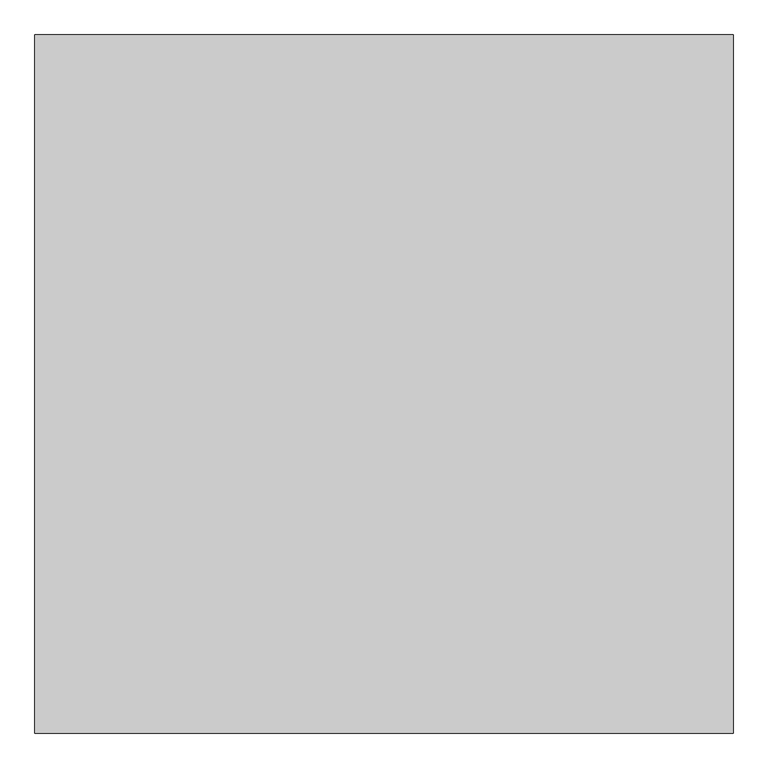
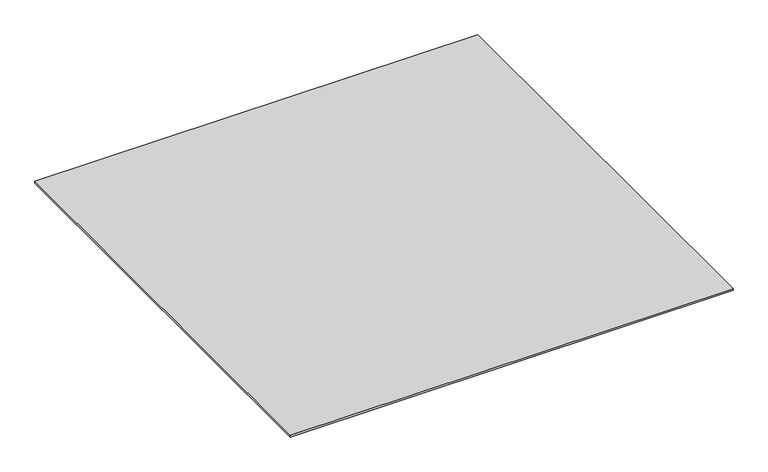
"""IFC4 building model written with IfcOpenShell, lengths in millimetres: proxy geometry."""

from ifc_helpers import new_model, si_unit, origin, origin_with_axes, place, context, project, spatial, polyline, outline, extrude, source, transform, mapped, element, save


def generic_models_22cfa657(model_context):
    return source(origin(), model_context, "Body", "SweptSolid", [
        extrude(outline(polyline([(-16155.396328, -30778.0478908), (-16155.396328, -31778.0478908), (-17155.396328, -31778.0478908), (-17155.396328, -30778.0478908), (-16155.396328, -30778.0478908)])), origin_with_axes(), (0.0, 0.0, 1.0), 4.0),
    ])


if __name__ == "__main__":
    model = new_model("IFC4")
    model_context = context("Model", 3, world=origin())
    ifc_project = project(units=[si_unit("LENGTHUNIT", "METRE", prefix="MILLI")], contexts=[model_context])
    site = spatial("IfcSite", under=ifc_project)
    building = spatial("IfcBuilding", under=site)
    placement = place(None, origin())
    generic_models_shape = generic_models_22cfa657(model_context)
    element("IfcBuildingElementProxy", 1, Name="Generic Models", at=placement, inside=building, context=model_context, shape_type="MappedRepresentation", body=[
        mapped(generic_models_shape, transform((0.0, 0.0, 0.0), x_axis=(1.0, 0.0, 0.0), y_axis=(0.0, 1.0, 0.0), z_axis=(0.0, 0.0, 1.0))),
    ])
    save(model, "model.ifc")
